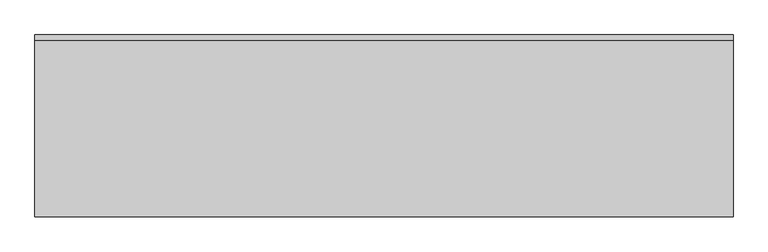
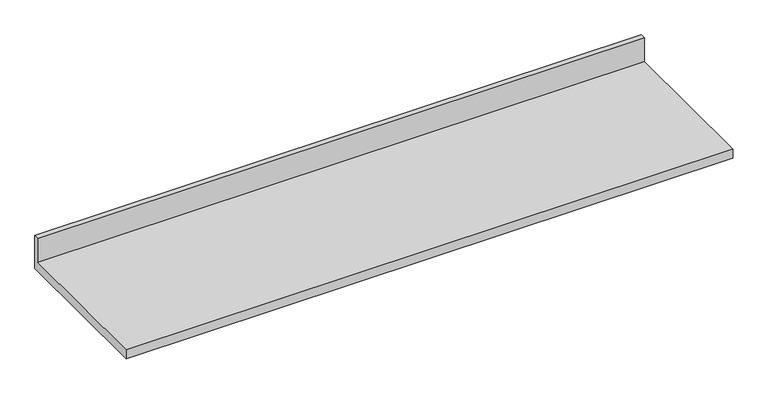
"""IFC4 building model written with IfcOpenShell, lengths in millimetres: furniture geometry."""

from ifc_helpers import new_model, si_unit, frame, origin, place, context, project, spatial, polyline, outline, extrude, source, transform, mapped, element, save


def furniture_deb1c5d1(model_context):
    return source(origin(), model_context, "Body", "SweptSolid", [
        extrude(outline(polyline([(0.0, 1016.0), (0.0, 876.3), (-635.0, 876.3), (-635.0, 914.4), (-19.05, 914.4), (-19.05, 1016.0), (0.0, 1016.0)])), frame((-1200.4622951, 0.0, 0.0), z_axis=(1.0, 0.0, 0.0), x_axis=(0.0, 1.0, 0.0)), (0.0, 0.0, 1.0), 2438.4),
    ])


if __name__ == "__main__":
    model = new_model("IFC4")
    model_context = context("Model", 3, world=origin())
    ifc_project = project(units=[si_unit("LENGTHUNIT", "METRE", prefix="MILLI")], contexts=[model_context])
    site = spatial("IfcSite", under=ifc_project)
    building = spatial("IfcBuilding", under=site)
    placement = place(None, origin())
    furniture_shape = furniture_deb1c5d1(model_context)
    element("IfcFurniture", 1, at=placement, inside=building, context=model_context, shape_type="MappedRepresentation", body=[
        mapped(furniture_shape, transform((0.0, 0.0, 0.0), x_axis=(1.0, 0.0, 0.0), y_axis=(0.0, 1.0, 0.0), z_axis=(0.0, 0.0, 1.0))),
    ])
    save(model, "model.ifc")
